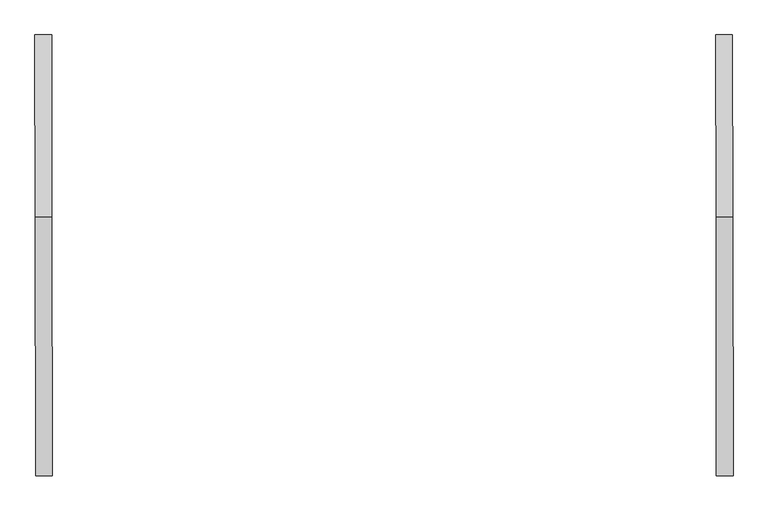
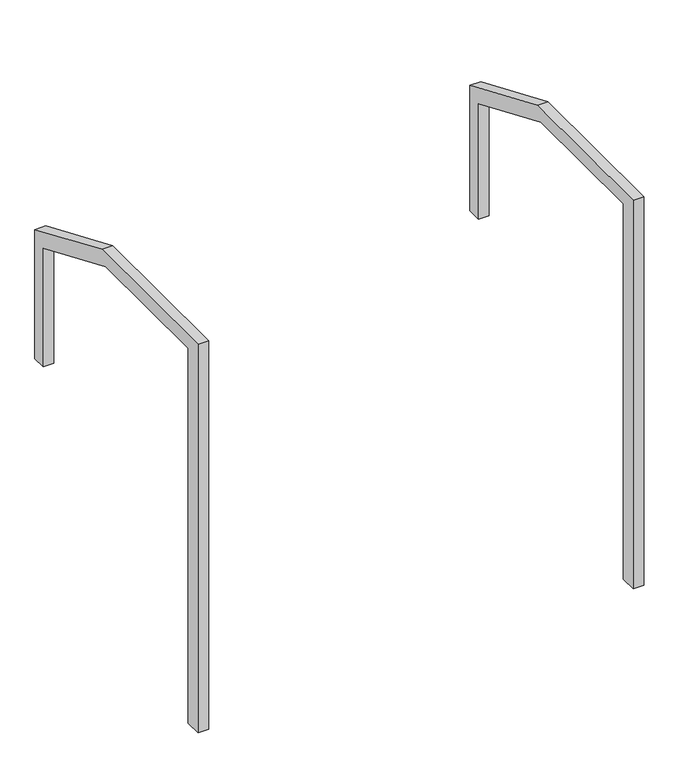
"""IFC4 building model written with IfcOpenShell, lengths in millimetres: proxy geometry."""

from ifc_helpers import new_model, si_unit, frame, origin, place, context, project, spatial, polyline, outline, extrude, source, transform, mapped, element, save


def generic_models_30ab8b34(model_context):
    return source(origin(), model_context, "Body", "SweptSolid", [
        extrude(outline(polyline([(0.0, 0.0), (0.0, 2199.0787284), (93.6670787, 2199.0787284), (93.6670787, -79.3622542), (-824.1889523, -79.3622542), (-1469.3481535, 194.4915791), (-1469.3481535, 950.9530499), (-1388.8554339, 950.9530499), (-1388.8554339, 254.6494434), (-788.9389401, 0.0), (0.0, 0.0)])), frame((-68782.6240732, 121479.9290485, 13360.721992), z_axis=(0.9999990131372021, 0.0014048930998798788, 0.0), x_axis=(0.0014048930998798788, -0.9999990131372021, 0.0)), (0.0, 0.0, 1.0), 59.222419),
        extrude(outline(polyline([(0.0, 0.0), (0.0, 2199.0787284), (93.6670787, 2199.0787284), (93.6670787, -79.3622542), (-824.1889523, -79.3622542), (-1469.3481535, 194.4915791), (-1469.3481535, 930.721992), (-1388.8554339, 930.721992), (-1388.8554339, 254.6494434), (-788.9389401, 0.0), (0.0, 0.0)])), frame((-66367.6384228, 121479.9290485, 13360.721992), z_axis=(0.9999990131372021, 0.0014048930998798788, 0.0), x_axis=(0.0014048930998798788, -0.9999990131372021, 0.0)), (0.0, 0.0, 1.0), 59.222419),
    ])


if __name__ == "__main__":
    model = new_model("IFC4")
    model_context = context("Model", 3, world=origin())
    ifc_project = project(units=[si_unit("LENGTHUNIT", "METRE", prefix="MILLI")], contexts=[model_context])
    site = spatial("IfcSite", under=ifc_project)
    building = spatial("IfcBuilding", under=site)
    placement = place(None, origin())
    generic_models_shape = generic_models_30ab8b34(model_context)
    element("IfcBuildingElementProxy", 1, Name="Generic Models", at=placement, inside=building, context=model_context, shape_type="MappedRepresentation", body=[
        mapped(generic_models_shape, transform((0.0, 0.0, 0.0), x_axis=(1.0, 0.0, 0.0), y_axis=(0.0, 1.0, 0.0), z_axis=(0.0, 0.0, 1.0))),
    ])
    save(model, "model.ifc")
